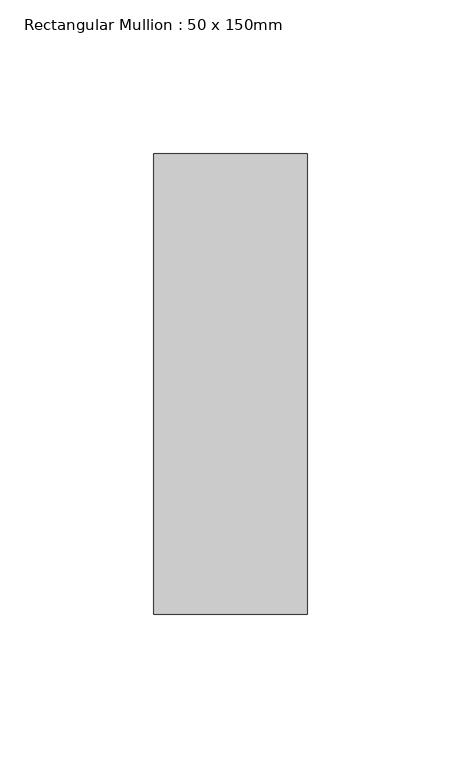
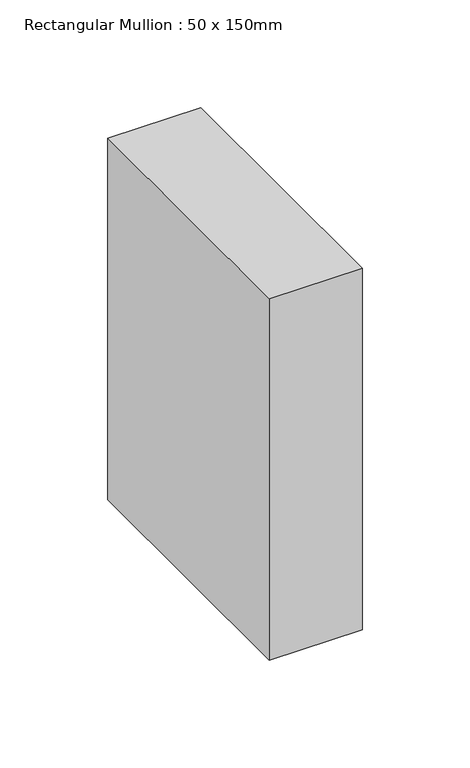
"""IFC4 building model written with IfcOpenShell, lengths in millimetres: member geometry, Rectangular Mullion : 50 x 150mm."""

from ifc_helpers import new_model, si_unit, frame, origin, place, context, project, spatial, polyline, outline, extrude, source, transform, mapped, element, save


def rectangular_mullion_50_x_150mm_acb07e8d(model_context):
    return source(origin(), model_context, "Body", "SweptSolid", [
        extrude(outline(polyline([(25.0, 75.0), (25.0, -75.0), (-25.0, -75.0), (-25.0, 75.0), (25.0, 75.0)])), frame((0.0, 0.0, -205.0), z_axis=(0.0, 0.0, 1.0), x_axis=(1.0, 0.0, 0.0)), (0.0, 0.0, 1.0), 205.0),
    ])


if __name__ == "__main__":
    model = new_model("IFC4")
    model_context = context("Model", 3, world=origin())
    ifc_project = project(units=[si_unit("LENGTHUNIT", "METRE", prefix="MILLI")], contexts=[model_context])
    site = spatial("IfcSite", under=ifc_project)
    building = spatial("IfcBuilding", under=site)
    placement = place(None, origin())
    rectangular_mullion_50_x_150mm_shape = rectangular_mullion_50_x_150mm_acb07e8d(model_context)
    element("IfcMember", 1, ObjectType="Rectangular Mullion : 50 x 150mm", at=placement, inside=building, context=model_context, shape_type="MappedRepresentation", body=[
        mapped(rectangular_mullion_50_x_150mm_shape, transform((0.0, 0.0, 0.0), x_axis=(1.0, 0.0, 0.0), y_axis=(0.0, 1.0, 0.0), z_axis=(0.0, 0.0, 1.0))),
    ])
    save(model, "model.ifc")
